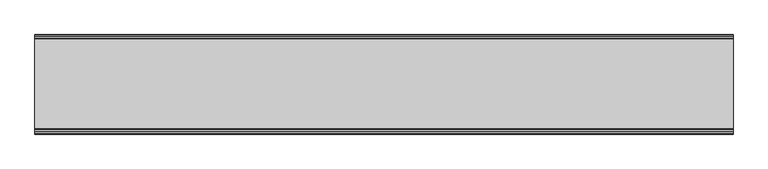
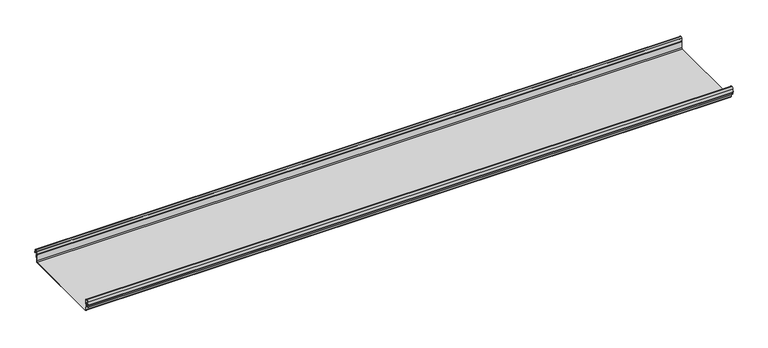
"""IFC4 building model written with IfcOpenShell, lengths in millimetres: beam geometry."""

from ifc_helpers import new_model, si_unit, frame, origin, place, context, project, spatial, polyline, circle_curve, source, transform, mapped, element, save
from ifc_brep_helpers import plane_surface, cylinder_surface, revolved_surface, advanced_brep


def beam_62c95c26(model_context):
    return source(origin(), model_context, "Body", "AdvancedBrep", [
        advanced_brep(
        [(1242.2781607, 174.5298471, 17.4730576), (1242.2781607, 169.9958217, 21.2486363), (1242.2781607, 165.4890072, 17.6093124), (1242.2781607, 163.0420077, 6.2503755), (1242.2781607, 164.7006671, 3.7959761), (1242.2781607, 165.8698319, 2.0849359), (1242.2781607, 164.3793103, -21.3247551), (1242.2781607, 160.6848586, -24.7896475), (1242.2781607, -159.5640942, -24.7896475), (1242.2781607, -163.2568715, -21.3207217), (1242.2781607, -164.7263748, 2.1632779), (1242.2781607, -164.0984471, 3.0966958), (1242.2781607, -161.8868093, 6.1624874), (1242.2781607, -162.770348, 17.3389905), (1242.2781607, -170.0, 24.0196704), (1242.2781607, -177.229652, 17.3389905), (1242.2781607, -178.1131907, 6.1624874), (1242.2781607, -175.9015529, 3.0966958), (1242.2781607, -175.2736252, 2.1632779), (1242.2781607, -175.6653397, -4.0966758), (1242.2781607, -174.6633838, -4.0966758), (1242.2781607, -174.255975, 2.4140875), (1242.2781607, -175.661391, 4.0675496), (1242.2781607, -177.1158116, 6.08368), (1242.2781607, -176.2261211, 17.3379999), (1242.2781607, -170.0, 23.0196704), (1242.2781607, -163.767144, 17.2589936), (1242.2781607, -162.8795452, 6.0037927), (1242.2781607, -164.338609, 4.0675496), (1242.2781607, -165.744025, 2.4140875), (1242.2781607, -164.2549195, -21.3831743), (1242.2781607, -159.5640942, -25.7896475), (1242.2781607, 160.6846135, -25.7896475), (1242.2781607, 165.3772895, -21.3882975), (1242.2781607, 166.868024, 2.0247376), (1242.2781607, 164.9644432, 4.7613501), (1242.2781607, 164.0277999, 6.0779003), (1242.2781607, 166.4434849, 17.2822335), (1242.2781607, 170.0063307, 20.2496221), (1242.2781607, 173.4803249, 17.6539317), (1242.2781607, 175.5075757, 6.5459412), (1242.2781607, 176.5074356, 6.7299959), (-1242.2781607, 174.5298471, 17.4730576), (-1242.2781607, 176.5074356, 6.7299959), (-1242.2781607, 175.5075757, 6.5459412), (-1242.2781607, 173.4803249, 17.6539317), (-1242.2781607, 170.0063307, 20.2496221), (-1242.2781607, 166.4434849, 17.2822335), (-1242.2781607, 164.0277999, 6.0779003), (-1242.2781607, 164.9644432, 4.7613501), (-1242.2781607, 166.868024, 2.0247376), (-1242.2781607, 165.3772895, -21.3882975), (-1242.2781607, 160.6846135, -25.7896475), (-1242.2781607, -159.5640942, -25.7896475), (-1242.2781607, -164.2549195, -21.3831743), (-1242.2781607, -165.744025, 2.4140875), (-1242.2781607, -164.338609, 4.0675496), (-1242.2781607, -162.8795452, 6.0037927), (-1242.2781607, -163.767144, 17.2589936), (-1242.2781607, -170.0, 23.0196704), (-1242.2781607, -176.2261211, 17.3379999), (-1242.2781607, -177.1158116, 6.08368), (-1242.2781607, -175.661391, 4.0675496), (-1242.2781607, -174.255975, 2.4140875), (-1242.2781607, -174.6633838, -4.0966758), (-1242.2781607, -175.6653397, -4.0966758), (-1242.2781607, -175.2736252, 2.1632779), (-1242.2781607, -175.9015529, 3.0966958), (-1242.2781607, -178.1066021, 6.2458324), (-1242.2781607, -177.229652, 17.3389905), (-1242.2781607, -170.0, 24.0196704), (-1242.2781607, -162.770348, 17.3389905), (-1242.2781607, -161.8868093, 6.1624874), (-1242.2781607, -164.0984471, 3.0966958), (-1242.2781607, -164.7263748, 2.1632779), (-1242.2781607, -163.2568715, -21.3207217), (-1242.2781607, -159.5640942, -24.7896475), (-1242.2781607, 160.6848586, -24.7896475), (-1242.2781607, 164.3793103, -21.3247551), (-1242.2781607, 165.8698319, 2.0849359), (-1242.2781607, 164.7006671, 3.7959761), (-1242.2781607, 163.0420077, 6.2503755), (-1242.2781607, 165.4890072, 17.6093124), (-1242.2781607, 169.9958217, 21.2486363)],
        [
            (0, 1, circle_curve(frame((1242.2781607, 169.9958217, 16.6384317), z_axis=(1.0, 0.0, 0.0), x_axis=(0.0, 1.0, 0.0)), 4.6102046)),
            (1, 2, circle_curve(frame((1242.2781607, 169.9958217, 16.6384317), z_axis=(1.0, 0.0, 0.0), x_axis=(0.0, 0.2105938444020083, 0.9775736456656259)), 4.6102046)),
            (2, 3),
            (3, 4, circle_curve(frame((1242.2781607, 165.4262002, 6.073937), z_axis=(1.0, 0.0, 0.0), x_axis=(0.0, -0.9528378408797884, 0.30347989881958104)), 2.3907121)),
            (4, 5, circle_curve(frame((1242.2781607, 164.1897695, 2.1919074), z_axis=(-1.0, 0.0, 0.0), x_axis=(0.0, 0.06354246328302078, 0.9979791357337717)), 1.6834645)),
            (5, 6),
            (6, 7, circle_curve(frame((1242.2781607, 160.6867875, -21.089648), z_axis=(-1.0, 0.0, 0.0), x_axis=(0.0, 0.9999998641088232, -0.0005213274739325337)), 3.7)),
            (7, 8),
            (8, 9, circle_curve(frame((1242.2781607, -159.5640942, -21.0896475), z_axis=(-1.0, 0.0, 0.0), x_axis=(0.0, 0.062452508687223206, -0.9980479368039755)), 3.7)),
            (9, 10),
            (10, 11, circle_curve(frame((1242.2781607, -163.8044049, 2.2209698), z_axis=(-1.0, 0.0, 0.0), x_axis=(0.0, -0.9479881328261025, -0.31830567073314897)), 0.9237732)),
            (11, 12, circle_curve(frame((1242.2781607, -164.7984694, 5.9323112), z_axis=(1.0, 0.0, 0.0), x_axis=(0.0, 0.07880737243916666, -0.9968898625471294)), 2.9207441)),
            (12, 13),
            (13, 14, circle_curve(frame((1242.2781607, -170.0, 16.7674631), z_axis=(1.0, 0.0, 0.0), x_axis=(0.0, 1.0, 0.0)), 7.2522073)),
            (14, 15, circle_curve(frame((1242.2781607, -170.0, 16.7674631), z_axis=(1.0, 0.0, 0.0), x_axis=(0.0, 0.07880737243912425, 0.9968898625471327)), 7.2522073)),
            (15, 16),
            (16, 17, circle_curve(frame((1242.2781607, -175.2001089, 5.9344165), z_axis=(1.0, 0.0, 0.0), x_axis=(0.0, -0.9707819351134729, 0.2399634023290655)), 2.9231288)),
            (17, 18, circle_curve(frame((1242.2781607, -176.1025472, 2.2835649), z_axis=(-1.0, 0.0, 0.0), x_axis=(0.0, 0.14360843272178178, 0.9896345881441257)), 0.8376041)),
            (18, 19),
            (19, 20, circle_curve(frame((1242.2781607, -175.1643617, -4.0966758), z_axis=(1.0, 0.0, 0.0), x_axis=(0.0, 0.0, -1.0)), 0.5009779)),
            (20, 21),
            (21, 22, circle_curve(frame((1242.2781607, -176.1062911, 2.2653702), z_axis=(1.0, 0.0, 0.0), x_axis=(0.0, 0.9708537722163966, -0.23967259537375799)), 1.856283)),
            (22, 23, circle_curve(frame((1242.2781607, -175.2010412, 5.9323112), z_axis=(-1.0, 0.0, 0.0), x_axis=(0.0, -0.07880737243914376, -0.9968898625471312)), 1.9207441)),
            (23, 24),
            (24, 25, circle_curve(frame((1242.2781607, -170.0770494, 16.8518958), z_axis=(-1.0, 0.0, 0.0), x_axis=(0.0, -0.9999219808421378, 0.012491286112139365)), 6.1682558)),
            (25, 26, circle_curve(frame((1242.2781607, -170.0791743, 16.6817991), z_axis=(-1.0, 0.0, 0.0), x_axis=(0.0, -0.09106361391821856, 0.9958450774192508)), 6.3383658)),
            (26, 27),
            (27, 28, circle_curve(frame((1242.2781607, -164.70299, 5.8599936), z_axis=(-1.0, 0.0, 0.0), x_axis=(0.0, 0.9799562955839813, 0.19921259685401593)), 1.8291061)),
            (28, 29, circle_curve(frame((1242.2781607, -163.9886548, 2.3460727), z_axis=(1.0, 0.0, 0.0), x_axis=(0.0, 0.03871763325448635, 0.9992501913310655)), 1.7566874)),
            (29, 30),
            (30, 31, circle_curve(frame((1242.2781607, -159.5640942, -21.0896475), z_axis=(1.0, 0.0, 0.0), x_axis=(0.0, -1.0, 0.0)), 4.7)),
            (31, 32),
            (32, 33, circle_curve(frame((1242.2781607, 160.6846135, -21.0873301), z_axis=(1.0, 0.0, 0.0), x_axis=(0.0, -0.06400407594283139, -0.997949637137418)), 4.7023174)),
            (33, 34),
            (34, 35, circle_curve(frame((1242.2781607, 164.1939121, 2.1950013), z_axis=(1.0, 0.0, 0.0), x_axis=(0.0, 0.9577619201002135, -0.2875623487279797)), 2.6795268)),
            (35, 36, circle_curve(frame((1242.2781607, 165.0972859, 5.8473161), z_axis=(-1.0, 0.0, 0.0), x_axis=(0.0, -0.210759855052358, -0.9775378680635902)), 1.094061)),
            (36, 37),
            (37, 38, circle_curve(frame((1242.2781607, 170.0063307, 16.627032), z_axis=(-1.0, 0.0, 0.0), x_axis=(0.0, -1.0, 0.0)), 3.6225901)),
            (38, 39, circle_curve(frame((1242.2781607, 170.0063307, 16.627032), z_axis=(-1.0, 0.0, 0.0), x_axis=(0.0, -0.2834711363957483, 0.9589807687490417)), 3.6225901)),
            (39, 40),
            (40, 41, circle_curve(frame((1242.2781607, 176.0075057, 6.6379685), z_axis=(1.0, 0.0, 0.0), x_axis=(0.0, 0.18103878268247353, -0.9834759575937014)), 0.5083296)),
            (41, 0),
            (42, 43),
            (43, 44, circle_curve(frame((-1242.2781607, 176.0075057, 6.6379685), z_axis=(-1.0, 0.0, 0.0), x_axis=(0.0, 0.18103878268247353, -0.9834759575937014)), 0.5083296)),
            (44, 45),
            (45, 46, circle_curve(frame((-1242.2781607, 170.0063307, 16.627032), z_axis=(1.0, 0.0, 0.0), x_axis=(0.0, -0.2834711363957483, 0.9589807687490417)), 3.6225901)),
            (46, 47, circle_curve(frame((-1242.2781607, 170.0063307, 16.627032), z_axis=(1.0, 0.0, 0.0), x_axis=(0.0, -1.0, 0.0)), 3.6225901)),
            (47, 48),
            (48, 49, circle_curve(frame((-1242.2781607, 165.0972859, 5.8473161), z_axis=(1.0, 0.0, 0.0), x_axis=(0.0, -0.210759855052358, -0.9775378680635902)), 1.094061)),
            (49, 50, circle_curve(frame((-1242.2781607, 164.1939121, 2.1950013), z_axis=(-1.0, 0.0, 0.0), x_axis=(0.0, 0.9577619201002135, -0.2875623487279797)), 2.6795268)),
            (50, 51),
            (51, 52, circle_curve(frame((-1242.2781607, 160.6846135, -21.0873301), z_axis=(-1.0, 0.0, 0.0), x_axis=(0.0, -0.06400407594283139, -0.997949637137418)), 4.7023174)),
            (52, 53),
            (53, 54, circle_curve(frame((-1242.2781607, -159.5640942, -21.0896475), z_axis=(-1.0, 0.0, 0.0), x_axis=(0.0, -1.0, 0.0)), 4.7)),
            (54, 55),
            (55, 56, circle_curve(frame((-1242.2781607, -163.9886548, 2.3460727), z_axis=(-1.0, 0.0, 0.0), x_axis=(0.0, 0.03871763325448635, 0.9992501913310655)), 1.7566874)),
            (56, 57, circle_curve(frame((-1242.2781607, -164.70299, 5.8599936), z_axis=(1.0, 0.0, 0.0), x_axis=(0.0, 0.9799562955839813, 0.19921259685401593)), 1.8291061)),
            (57, 58),
            (58, 59, circle_curve(frame((-1242.2781607, -170.0791743, 16.6817991), z_axis=(1.0, 0.0, 0.0), x_axis=(0.0, -0.09106361391821856, 0.9958450774192508)), 6.3383658)),
            (59, 60, circle_curve(frame((-1242.2781607, -170.0770494, 16.8518958), z_axis=(1.0, 0.0, 0.0), x_axis=(0.0, -0.9999219808421378, 0.012491286112139365)), 6.1682558)),
            (60, 61),
            (61, 62, circle_curve(frame((-1242.2781607, -175.2010412, 5.9323112), z_axis=(1.0, 0.0, 0.0), x_axis=(0.0, -0.07880737243914376, -0.9968898625471312)), 1.9207441)),
            (62, 63, circle_curve(frame((-1242.2781607, -176.1062911, 2.2653702), z_axis=(-1.0, 0.0, 0.0), x_axis=(0.0, 0.9708537722163966, -0.23967259537375799)), 1.856283)),
            (63, 64),
            (64, 65, circle_curve(frame((-1242.2781607, -175.1643617, -4.0966758), z_axis=(-1.0, 0.0, 0.0), x_axis=(0.0, 0.0, -1.0)), 0.5009779)),
            (65, 66),
            (66, 67, circle_curve(frame((-1242.2781607, -176.1025472, 2.2835649), z_axis=(1.0, 0.0, 0.0), x_axis=(0.0, 0.14360843272178178, 0.9896345881441257)), 0.8376041)),
            (67, 68, circle_curve(frame((-1242.2781607, -175.2001089, 5.9344165), z_axis=(-1.0, 0.0, 0.0), x_axis=(0.0, -0.9707819351134729, 0.2399634023290655)), 2.9231288)),
            (68, 69),
            (69, 70, circle_curve(frame((-1242.2781607, -170.0, 16.7674631), z_axis=(-1.0, 0.0, 0.0), x_axis=(0.0, 0.07880737243912425, 0.9968898625471327)), 7.2522073)),
            (70, 71, circle_curve(frame((-1242.2781607, -170.0, 16.7674631), z_axis=(-1.0, 0.0, 0.0), x_axis=(0.0, 1.0, 0.0)), 7.2522073)),
            (71, 72),
            (72, 73, circle_curve(frame((-1242.2781607, -164.7984694, 5.9323112), z_axis=(-1.0, 0.0, 0.0), x_axis=(0.0, 0.07880737243916666, -0.9968898625471294)), 2.9207441)),
            (73, 74, circle_curve(frame((-1242.2781607, -163.8044049, 2.2209698), z_axis=(1.0, 0.0, 0.0), x_axis=(0.0, -0.9479881328261025, -0.31830567073314897)), 0.9237732)),
            (74, 75),
            (75, 76, circle_curve(frame((-1242.2781607, -159.5640942, -21.0896475), z_axis=(1.0, 0.0, 0.0), x_axis=(0.0, 0.062452508687223206, -0.9980479368039755)), 3.7)),
            (76, 77),
            (77, 78, circle_curve(frame((-1242.2781607, 160.6867875, -21.089648), z_axis=(1.0, 0.0, 0.0), x_axis=(0.0, 0.9999998641088232, -0.0005213274739325337)), 3.7)),
            (78, 79),
            (79, 80, circle_curve(frame((-1242.2781607, 164.1897695, 2.1919074), z_axis=(1.0, 0.0, 0.0), x_axis=(0.0, 0.06354246328302078, 0.9979791357337717)), 1.6834645)),
            (80, 81, circle_curve(frame((-1242.2781607, 165.4262002, 6.073937), z_axis=(-1.0, 0.0, 0.0), x_axis=(0.0, -0.9528378408797884, 0.30347989881958104)), 2.3907121)),
            (81, 82),
            (82, 83, circle_curve(frame((-1242.2781607, 169.9958217, 16.6384317), z_axis=(-1.0, 0.0, 0.0), x_axis=(0.0, 0.2105938444020083, 0.9775736456656259)), 4.6102046)),
            (83, 42, circle_curve(frame((-1242.2781607, 169.9958217, 16.6384317), z_axis=(-1.0, 0.0, 0.0), x_axis=(0.0, 1.0, 0.0)), 4.6102046)),
            (42, 0),
            (41, 43),
            (40, 44),
            (39, 45),
            (38, 46),
            (37, 47),
            (36, 48),
            (35, 49),
            (34, 50),
            (33, 51),
            (32, 52),
            (31, 53),
            (30, 54),
            (29, 55),
            (28, 56),
            (27, 57),
            (26, 58),
            (25, 59),
            (24, 60),
            (23, 61),
            (22, 62),
            (21, 63),
            (20, 64),
            (19, 65),
            (18, 66),
            (17, 67),
            (16, 68),
            (15, 69),
            (14, 70),
            (13, 71),
            (12, 72),
            (11, 73),
            (10, 74),
            (9, 75),
            (8, 76),
            (7, 77),
            (6, 78),
            (5, 79),
            (4, 80),
            (3, 81),
            (2, 82),
            (1, 83),
        ],
        [
            plane_surface(frame((1242.2781607, 176.5074356, 6.7299959), z_axis=(1.0000000000000002, 0.0, 0.0), x_axis=(0.0, -0.18103878268248824, 0.9834759575936989))),
            plane_surface(frame((-1242.2781607, 176.5074356, 6.7299959), z_axis=(-1.0000000000000002, 0.0, 0.0), x_axis=(0.0, 0.18103878268248824, -0.9834759575936989))),
            plane_surface(frame((1242.2781607, 175.5186413, 12.1015267), z_axis=(0.0, 0.9834759575937931, 0.18103878268197598), x_axis=(0.0, 0.18103878268197598, -0.9834759575937931))),
            cylinder_surface(frame((1242.2781607, 176.0075057, 6.6379685), z_axis=(-1.0, 0.0, 0.0), x_axis=(0.0, 0.18103878268247353, -0.9834759575937014)), 0.5083296),
            plane_surface(frame((1242.2781607, 174.4939503, 12.0999365), z_axis=(0.0, -0.9837509798366516, -0.17953832368168063), x_axis=(0.0, -0.17953832368168063, 0.9837509798366516))),
            revolved_surface(polyline([(-1242.2781607, 168.979430967657, 20.101026238960667), (1242.2781607, 168.979430967657, 20.101026238960667)]), (1242.2781607, 170.0063307, 16.627032), (-1.0, 0.0, 0.0)),
            revolved_surface(polyline([(-1242.2781607, 166.3837406, 16.627032), (1242.2781607, 166.3837406, 16.627032)]), (1242.2781607, 170.0063307, 16.627032), (-1.0, 0.0, 0.0)),
            plane_surface(frame((1242.2781607, 165.2356424, 11.6800669), z_axis=(0.0, 0.9775378680634891, -0.2107598550528272), x_axis=(0.0, -0.2107598550528272, -0.9775378680634891))),
            revolved_surface(polyline([(-1242.2781607, 164.86670176222157, 4.77783004252848), (1242.2781607, 164.86670176222157, 4.77783004252848)]), (1242.2781607, 165.0972859, 5.8473161), (-1.0, 0.0, 0.0)),
            cylinder_surface(frame((1242.2781607, 164.1939121, 2.1950013), z_axis=(-1.0, 0.0, 0.0), x_axis=(0.0, 0.9577619201002135, -0.2875623487279797)), 2.6795268),
            plane_surface(frame((1242.2781607, 166.1226567, -9.68178), z_axis=(0.0, 0.9979791357337514, -0.06354246328334037), x_axis=(0.0, -0.06354246328334037, -0.9979791357337514))),
            cylinder_surface(frame((1242.2781607, 160.6846135, -21.0873301), z_axis=(-1.0, 0.0, 0.0), x_axis=(0.0, -0.06400407594283139, -0.997949637137418)), 4.7023174),
            plane_surface(frame((1242.2781607, 0.5602597, -25.7896475), z_axis=(0.0, 0.0, -1.0), x_axis=(0.0, -1.0, 0.0))),
            cylinder_surface(frame((1242.2781607, -159.5640942, -21.0896475), z_axis=(-1.0, 0.0, 0.0), x_axis=(0.0, -1.0, 0.0)), 4.7),
            plane_surface(frame((1242.2781607, -164.9994722, -9.4845434), z_axis=(0.0, -0.99804793680396, -0.06245250868747398), x_axis=(0.0, -0.06245250868747398, 0.99804793680396))),
            cylinder_surface(frame((1242.2781607, -163.9886548, 2.3460727), z_axis=(-1.0, 0.0, 0.0), x_axis=(0.0, 0.03871763325448635, 0.9992501913310655)), 1.7566874),
            revolved_surface(polyline([(-1242.2781607, -162.91054596201394, 6.224374576102521), (1242.2781607, -162.91054596201394, 6.224374576102521)]), (1242.2781607, -164.70299, 5.8599936), (-1.0, 0.0, 0.0)),
            plane_surface(frame((1242.2781607, -163.3233446, 11.6313931), z_axis=(0.0, -0.9969048840807634, -0.07861712342689589), x_axis=(0.0, -0.07861712342689589, 0.9969048840807634))),
            revolved_surface(polyline([(-1242.2781607, -170.65636879608365, 22.99382948081253), (1242.2781607, -170.65636879608365, 22.99382948081253)]), (1242.2781607, -170.0791743, 16.6817991), (-1.0, 0.0, 0.0)),
            revolved_surface(polyline([(-1242.2781607, -176.244823957877, 16.928945248010663), (1242.2781607, -176.244823957877, 16.928945248010663)]), (1242.2781607, -170.0770494, 16.8518958), (-1.0, 0.0, 0.0)),
            plane_surface(frame((1242.2781607, -176.6709664, 11.71084), z_axis=(0.0, 0.9968898625470921, -0.07880737243963815), x_axis=(0.0, -0.07880737243963815, -0.9968898625470921))),
            revolved_surface(polyline([(-1242.2781607, -175.35240999564897, 4.017540878162787), (1242.2781607, -175.35240999564897, 4.017540878162787)]), (1242.2781607, -175.2010412, 5.9323112), (-1.0, 0.0, 0.0)),
            cylinder_surface(frame((1242.2781607, -176.1062911, 2.2653702), z_axis=(-1.0, 0.0, 0.0), x_axis=(0.0, 0.9708537722163966, -0.23967259537375799)), 1.856283),
            plane_surface(frame((1242.2781607, -174.4596794, -0.8412941), z_axis=(0.0, 0.9980479368039222, -0.06245250868807452), x_axis=(0.0, -0.06245250868807452, -0.9980479368039222))),
            cylinder_surface(frame((1242.2781607, -175.1643617, -4.0966758), z_axis=(-1.0, 0.0, 0.0), x_axis=(0.0, 0.0, -1.0)), 0.5009779),
            plane_surface(frame((1242.2781607, -175.4694824, -0.9666989), z_axis=(0.0, -0.9980479368040358, 0.06245250868626084), x_axis=(0.0, 0.06245250868626084, 0.9980479368040358))),
            revolved_surface(polyline([(-1242.2781607, -175.98226018795768, 3.112486888531331), (1242.2781607, -175.98226018795768, 3.112486888531331)]), (1242.2781607, -176.1025472, 2.2835649), (-1.0, 0.0, 0.0)),
            cylinder_surface(frame((1242.2781607, -175.2001089, 5.9344165), z_axis=(-1.0, 0.0, 0.0), x_axis=(0.0, -0.9707819351134729, 0.2399634023290655)), 2.9231288),
            plane_surface(frame((1242.2781607, -177.6714214, 11.7507389), z_axis=(0.0, -0.9968898625471735, 0.07880737243860966), x_axis=(0.0, 0.07880737243860966, 0.9968898625471735))),
            cylinder_surface(frame((1242.2781607, -170.0, 16.7674631), z_axis=(-1.0, 0.0, 0.0), x_axis=(0.0, 0.07880737243912425, 0.9968898625471327)), 7.2522073),
            cylinder_surface(frame((1242.2781607, -170.0, 16.7674631), z_axis=(-1.0, 0.0, 0.0), x_axis=(0.0, 1.0, 0.0)), 7.2522073),
            plane_surface(frame((1242.2781607, -162.3285786, 11.7507389), z_axis=(0.0, 0.9968898625471712, 0.07880737243863836), x_axis=(0.0, 0.07880737243863836, -0.9968898625471712))),
            cylinder_surface(frame((1242.2781607, -164.7984694, 5.9323112), z_axis=(-1.0, 0.0, 0.0), x_axis=(0.0, 0.07880737243916666, -0.9968898625471294)), 2.9207441),
            revolved_surface(polyline([(-1242.2781607, -164.6801309310228, 1.9269275519686928), (1242.2781607, -164.6801309310228, 1.9269275519686928)]), (1242.2781607, -163.8044049, 2.2209698), (-1.0, 0.0, 0.0)),
            plane_surface(frame((1242.2781607, -163.9916232, -9.5787219), z_axis=(0.0, 0.9980479368039906, 0.0624525086869835), x_axis=(0.0, 0.0624525086869835, -0.9980479368039906))),
            revolved_surface(polyline([(-1242.2781607, -159.33301991785729, -24.78242486617471), (1242.2781607, -159.33301991785729, -24.78242486617471)]), (1242.2781607, -159.5640942, -21.0896475), (-1.0, 0.0, 0.0)),
            plane_surface(frame((1242.2781607, 0.5603822, -24.7896475), z_axis=(0.0, 0.0, 1.0), x_axis=(0.0, 1.0, 0.0))),
            revolved_surface(polyline([(-1242.2781607, 164.38678699720265, -21.09157691165355), (1242.2781607, 164.38678699720265, -21.09157691165355)]), (1242.2781607, 160.6867875, -21.089648), (-1.0, 0.0, 0.0)),
            plane_surface(frame((1242.2781607, 165.1245711, -9.6199096), z_axis=(0.0, -0.9979791357337828, 0.06354246328284598), x_axis=(0.0, 0.06354246328284598, 0.9979791357337828))),
            revolved_surface(polyline([(-1242.2781607, 164.29674098117954, 3.871969846748486), (1242.2781607, 164.29674098117954, 3.871969846748486)]), (1242.2781607, 164.1897695, 2.1919074), (-1.0, 0.0, 0.0)),
            cylinder_surface(frame((1242.2781607, 165.4262002, 6.073937), z_axis=(-1.0, 0.0, 0.0), x_axis=(0.0, -0.9528378408797884, 0.30347989881958104)), 2.3907121),
            plane_surface(frame((1242.2781607, 164.2655075, 11.929844), z_axis=(0.0, -0.9775736456657296, 0.21059384440152715), x_axis=(0.0, 0.21059384440152715, 0.9775736456657296))),
            cylinder_surface(frame((1242.2781607, 169.9958217, 16.6384317), z_axis=(-1.0, 0.0, 0.0), x_axis=(0.0, 0.2105938444020083, 0.9775736456656259)), 4.6102046),
            cylinder_surface(frame((1242.2781607, 169.9958217, 16.6384317), z_axis=(-1.0, 0.0, 0.0), x_axis=(0.0, 1.0, 0.0)), 4.6102046),
        ],
        [
            (0, [[1, 2, 3, 4, 5, 6, 7, 8, 9, 10, 11, 12, 13, 14, 15, 16, 17, 18, 19, 20, 21, 22, 23, 24, 25, 26, 27, 28, 29, 30, 31, 32, 33, 34, 35, 36, 37, 38, 39, 40, 41, 42]]),
            (1, [[43, 44, 45, 46, 47, 48, 49, 50, 51, 52, 53, 54, 55, 56, 57, 58, 59, 60, 61, 62, 63, 64, 65, 66, 67, 68, 69, 70, 71, 72, 73, 74, 75, 76, 77, 78, 79, 80, 81, 82, 83, 84]]),
            (2, [[-43, 85, -42, 86]]),
            (3, [[-44, -86, -41, 87]]),
            (4, [[-45, -87, -40, 88]]),
            (5, [[-46, -88, -39, 89]]),
            (6, [[-47, -89, -38, 90]]),
            (7, [[-48, -90, -37, 91]]),
            (8, [[-49, -91, -36, 92]]),
            (9, [[-50, -92, -35, 93]]),
            (10, [[-51, -93, -34, 94]]),
            (11, [[-52, -94, -33, 95]]),
            (12, [[-53, -95, -32, 96]]),
            (13, [[-54, -96, -31, 97]]),
            (14, [[-55, -97, -30, 98]]),
            (15, [[-56, -98, -29, 99]]),
            (16, [[-57, -99, -28, 100]]),
            (17, [[-58, -100, -27, 101]]),
            (18, [[-59, -101, -26, 102]]),
            (19, [[-60, -102, -25, 103]]),
            (20, [[-61, -103, -24, 104]]),
            (21, [[-62, -104, -23, 105]]),
            (22, [[-63, -105, -22, 106]]),
            (23, [[-64, -106, -21, 107]]),
            (24, [[-65, -107, -20, 108]]),
            (25, [[-66, -108, -19, 109]]),
            (26, [[-67, -109, -18, 110]]),
            (27, [[-68, -110, -17, 111]]),
            (28, [[-69, -111, -16, 112]]),
            (29, [[-70, -112, -15, 113]]),
            (30, [[-71, -113, -14, 114]]),
            (31, [[-72, -114, -13, 115]]),
            (32, [[-73, -115, -12, 116]]),
            (33, [[-74, -116, -11, 117]]),
            (34, [[-75, -117, -10, 118]]),
            (35, [[-76, -118, -9, 119]]),
            (36, [[-77, -119, -8, 120]]),
            (37, [[-78, -120, -7, 121]]),
            (38, [[-79, -121, -6, 122]]),
            (39, [[-80, -122, -5, 123]]),
            (40, [[-81, -123, -4, 124]]),
            (41, [[-82, -124, -3, 125]]),
            (42, [[-83, -125, -2, 126]]),
            (43, [[-84, -126, -1, -85]]),
        ],
    ),
    ])


if __name__ == "__main__":
    model = new_model("IFC4")
    model_context = context("Model", 3, world=origin())
    ifc_project = project(units=[si_unit("LENGTHUNIT", "METRE", prefix="MILLI")], contexts=[model_context])
    site = spatial("IfcSite", under=ifc_project)
    building = spatial("IfcBuilding", under=site)
    placement = place(None, origin())
    beam_shape = beam_62c95c26(model_context)
    element("IfcBeam", 1, at=placement, inside=building, context=model_context, shape_type="MappedRepresentation", body=[
        mapped(beam_shape, transform((0.0, 0.0, 0.0), x_axis=(1.0, 0.0, 0.0), y_axis=(0.0, 1.0, 0.0), z_axis=(0.0, 0.0, 1.0))),
    ])
    save(model, "model.ifc")
